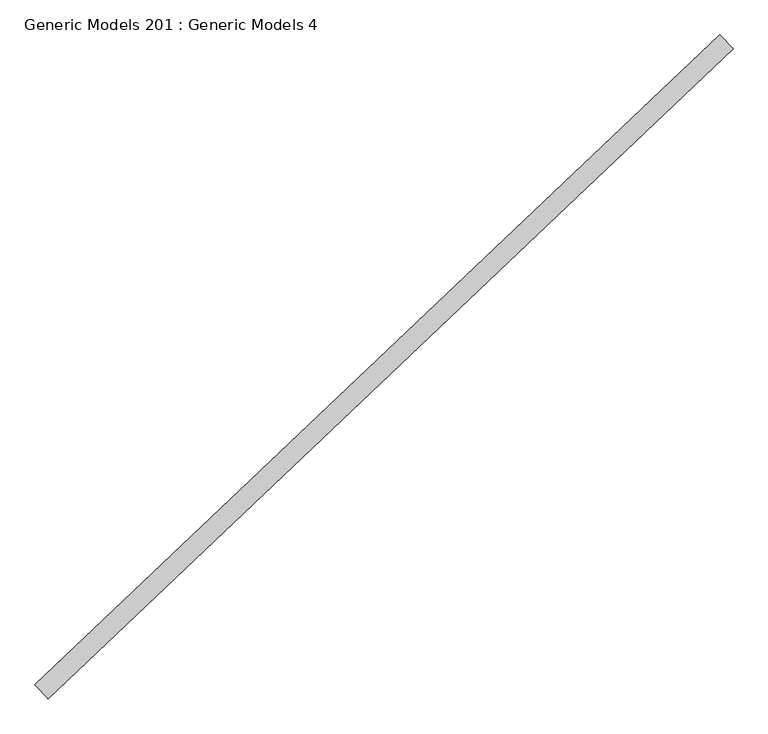
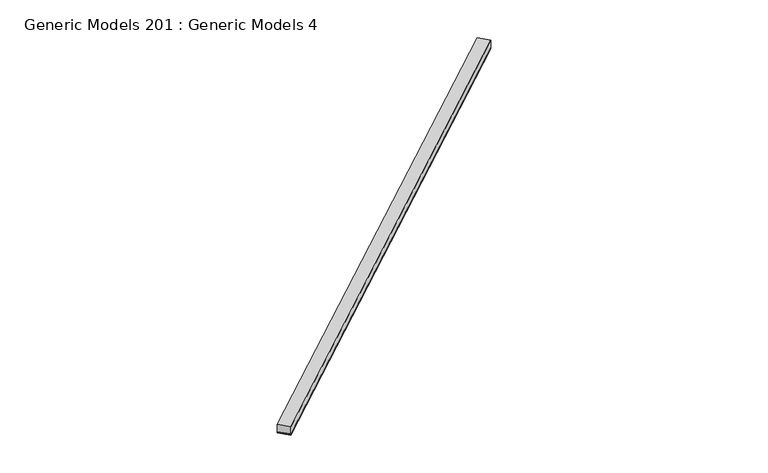
"""IFC4 building model written with IfcOpenShell, lengths in millimetres: proxy geometry, Generic Models 201 : Generic Models 4."""

from ifc_helpers import new_model, si_unit, point, frame, frame_2d, origin, place, context, project, spatial, polyline, circle_curve, trimmed, segment, composite_curve, outline, extrude, source, transform, mapped, element, save


def generic_models_201_generic_models_4_f4476d13(model_context):
    return source(origin(), model_context, "Body", "SweptSolid", [
        extrude(outline(composite_curve([segment(polyline([(92.075, -9.128125), (0.0, -9.128125)]), True, "CONTINUOUS"), segment(trimmed(circle_curve(frame_2d((-4.4149557, -4.5640625)), 6.35), [point((0.0, -9.128125))], [point((0.0, 0.0))], True, "CARTESIAN"), True, "CONTINUOUS"), segment(polyline([(0.0, 0.0), (92.075, 0.0)]), True, "CONTINUOUS"), segment(trimmed(circle_curve(frame_2d((96.4899556, -4.5640625)), 6.35), [point((92.075, 0.0))], [point((92.075, -9.128125))], True, "CARTESIAN"), True, "CONTINUOUS")], self_intersect=False)), frame((99763.4645275, 57298.7606646, 16767.7628084), z_axis=(0.7253743710123147, 0.6883545756937256, 0.0), x_axis=(0.6883545756937256, -0.7253743710123147, 0.0)), (0.0, 0.0, 1.0), 4530.725),
        extrude(outline(polyline([(99826.844775, 57231.9718194), (99763.4645275, 57298.7606646), (103049.9363246, 60417.5059496), (103113.3165721, 60350.7171044), (99826.844775, 57231.9718194)])), frame((0.0, 0.0, 16777.2878084), z_axis=(0.0, 0.0, 1.0), x_axis=(1.0, 0.0, 0.0)), (0.0, 0.0, 1.0), 57.15),
    ])


if __name__ == "__main__":
    model = new_model("IFC4")
    model_context = context("Model", 3, world=origin())
    ifc_project = project(units=[si_unit("LENGTHUNIT", "METRE", prefix="MILLI")], contexts=[model_context])
    site = spatial("IfcSite", under=ifc_project)
    building = spatial("IfcBuilding", under=site)
    placement = place(None, origin())
    generic_models_201_generic_models_4_shape = generic_models_201_generic_models_4_f4476d13(model_context)
    element("IfcBuildingElementProxy", 1, Name="Generic Models 201 : Generic Models 4", ObjectType="Generic Models 201 : Generic Models 4", at=placement, inside=building, context=model_context, shape_type="MappedRepresentation", body=[
        mapped(generic_models_201_generic_models_4_shape, transform((0.0, 0.0, 0.0), x_axis=(1.0, 0.0, 0.0), y_axis=(0.0, 1.0, 0.0), z_axis=(0.0, 0.0, 1.0))),
    ])
    save(model, "model.ifc")
